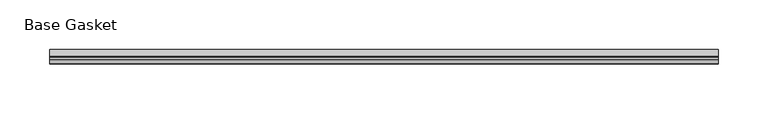
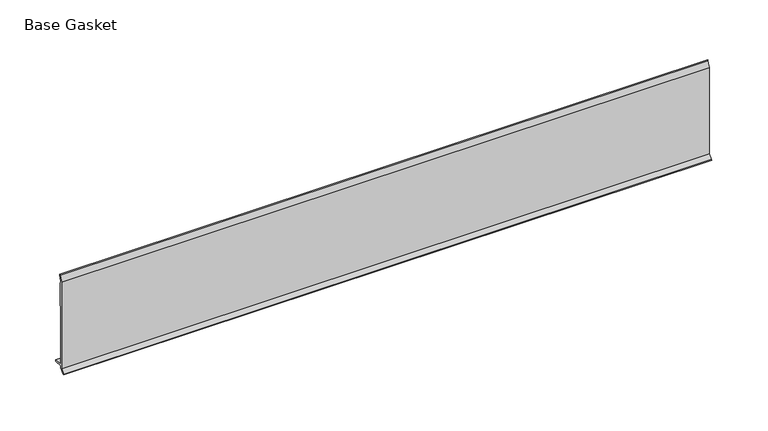
"""IFC4 building model written with IfcOpenShell, lengths in millimetres: furniture geometry, Base Gasket."""

from ifc_helpers import new_model, si_unit, frame, origin, place, context, project, spatial, polyline, outline, extrude, source, transform, mapped, element, save


def base_gasket_f2cb5a42(model_context):
    return source(origin(), model_context, "Body", "SweptSolid", [
        extrude(outline(polyline([(-3.7283812, 98.4568417), (-1.1891543, 104.587663), (-0.6755308, 105.2002997), (-0.6755308, 104.4162708), (-2.2043812, 98.4568417), (-2.2043812, 96.8693477), (-1.4106313, 96.8693477), (-1.4106313, 71.4693447), (-2.2043812, 71.4693447), (-2.2043812, 7.9398773), (6.2405171, 7.9398773), (6.2405171, 6.3818476), (-2.1334222, 6.3818476), (-2.2043812, 4.3498477), (-6.8281054, 0.3520979), (-7.8482342, 0.0), (-7.4222115, 0.6560174), (-3.7283812, 4.3498477), (-3.7283812, 98.4568417)])), frame((-1527.8982117, 0.0, 0.0), z_axis=(1.0, 0.0, 0.0), x_axis=(0.0, 1.0, 0.0)), (0.0, 0.0, 1.0), 668.6798568),
    ])


if __name__ == "__main__":
    model = new_model("IFC4")
    model_context = context("Model", 3, world=origin())
    ifc_project = project(units=[si_unit("LENGTHUNIT", "METRE", prefix="MILLI")], contexts=[model_context])
    site = spatial("IfcSite", under=ifc_project)
    building = spatial("IfcBuilding", under=site)
    placement = place(None, origin())
    base_gasket_shape = base_gasket_f2cb5a42(model_context)
    element("IfcFurniture", 1, ObjectType="Base Gasket", at=placement, inside=building, context=model_context, shape_type="MappedRepresentation", body=[
        mapped(base_gasket_shape, transform((0.0, 0.0, 0.0), x_axis=(1.0, 0.0, 0.0), y_axis=(0.0, 1.0, 0.0), z_axis=(0.0, 0.0, 1.0))),
    ])
    save(model, "model.ifc")
